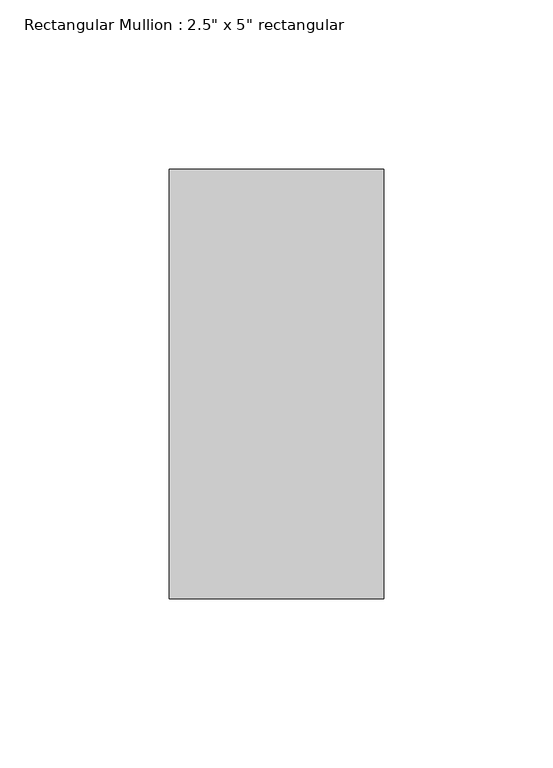
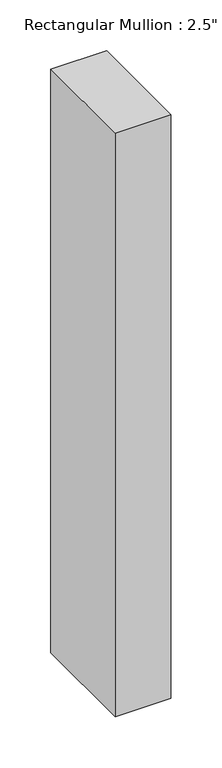
"""IFC4 building model written with IfcOpenShell, lengths in millimetres: member geometry."""

from ifc_helpers import new_model, si_unit, frame, origin, place, context, project, spatial, polyline, outline, extrude, source, transform, mapped, element, save


def member_1d88651f(model_context):
    return source(origin(), model_context, "Body", "SweptSolid", [
        extrude(outline(polyline([(0.0, 63.5), (0.0, -63.5), (-63.5, -63.5), (-63.5, 63.5), (0.0, 63.5)])), frame((0.0, 0.0, -702.7875), z_axis=(0.0, 0.0, 1.0), x_axis=(1.0, 0.0, 0.0)), (0.0, 0.0, 1.0), 702.7875),
    ])


if __name__ == "__main__":
    model = new_model("IFC4")
    model_context = context("Model", 3, world=origin())
    ifc_project = project(units=[si_unit("LENGTHUNIT", "METRE", prefix="MILLI")], contexts=[model_context])
    site = spatial("IfcSite", under=ifc_project)
    building = spatial("IfcBuilding", under=site)
    placement = place(None, origin())
    member_shape = member_1d88651f(model_context)
    element("IfcMember", 1, ObjectType="Rectangular Mullion : 2.5\" x 5\" rectangular", at=placement, inside=building, context=model_context, shape_type="MappedRepresentation", body=[
        mapped(member_shape, transform((0.0, 0.0, 0.0), x_axis=(1.0, 0.0, 0.0), y_axis=(0.0, 1.0, 0.0), z_axis=(0.0, 0.0, 1.0))),
    ])
    save(model, "model.ifc")
